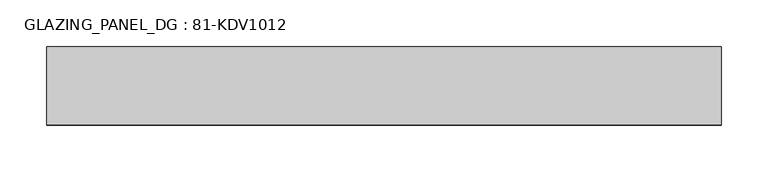
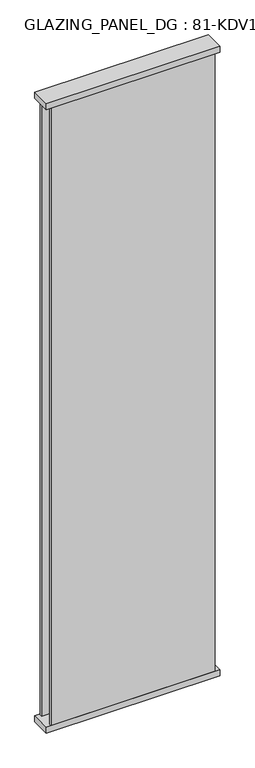
"""IFC4 building model written with IfcOpenShell, lengths in millimetres: plate geometry, GLAZING_PANEL_DG : 81-KDV1012."""

from ifc_helpers import new_model, si_unit, frame, origin, origin_with_axes, place, context, project, spatial, polyline, outline, extrude, source, transform, mapped, element, save


def glazing_panel_dg_81_kdv1012_83c85cbc(model_context):
    return source(origin(), model_context, "Body", "SweptSolid", [
        extrude(outline(polyline([(340.0, -39.5), (-340.0, -39.5), (-340.0, -29.5), (340.0, -29.5), (340.0, -39.5)])), frame((0.0, 0.0, 12.0), z_axis=(0.0, 0.0, 1.0), x_axis=(1.0, 0.0, 0.0)), (0.0, 0.0, 1.0), 2730.0),
        extrude(outline(polyline([(340.0, 27.5), (-340.0, 27.5), (-340.0, 39.5), (340.0, 39.5), (340.0, 27.5)])), frame((0.0, 0.0, 12.0), z_axis=(0.0, 0.0, 1.0), x_axis=(1.0, 0.0, 0.0)), (0.0, 0.0, 1.0), 2730.0),
        extrude(outline(polyline([(360.0, 41.5), (360.0, -41.5), (-360.0, -41.5), (-360.0, 41.5), (360.0, 41.5)])), frame((0.0, 0.0, 2730.0), z_axis=(0.0, 0.0, 1.0), x_axis=(1.0, 0.0, 0.0)), (0.0, 0.0, 1.0), 25.0),
        extrude(outline(polyline([(360.0, -41.5), (-360.0, -41.5), (-360.0, 41.5), (360.0, 41.5), (360.0, -41.5)])), origin_with_axes(), (0.0, 0.0, 1.0), 25.0),
    ])


if __name__ == "__main__":
    model = new_model("IFC4")
    model_context = context("Model", 3, world=origin())
    ifc_project = project(units=[si_unit("LENGTHUNIT", "METRE", prefix="MILLI")], contexts=[model_context])
    site = spatial("IfcSite", under=ifc_project)
    building = spatial("IfcBuilding", under=site)
    placement = place(None, origin())
    glazing_panel_dg_81_kdv1012_shape = glazing_panel_dg_81_kdv1012_83c85cbc(model_context)
    element("IfcPlate", 1, ObjectType="GLAZING_PANEL_DG : 81-KDV1012", at=placement, inside=building, context=model_context, shape_type="MappedRepresentation", body=[
        mapped(glazing_panel_dg_81_kdv1012_shape, transform((0.0, 0.0, 0.0), x_axis=(1.0, 0.0, 0.0), y_axis=(0.0, 1.0, 0.0), z_axis=(0.0, 0.0, 1.0))),
    ])
    save(model, "model.ifc")
